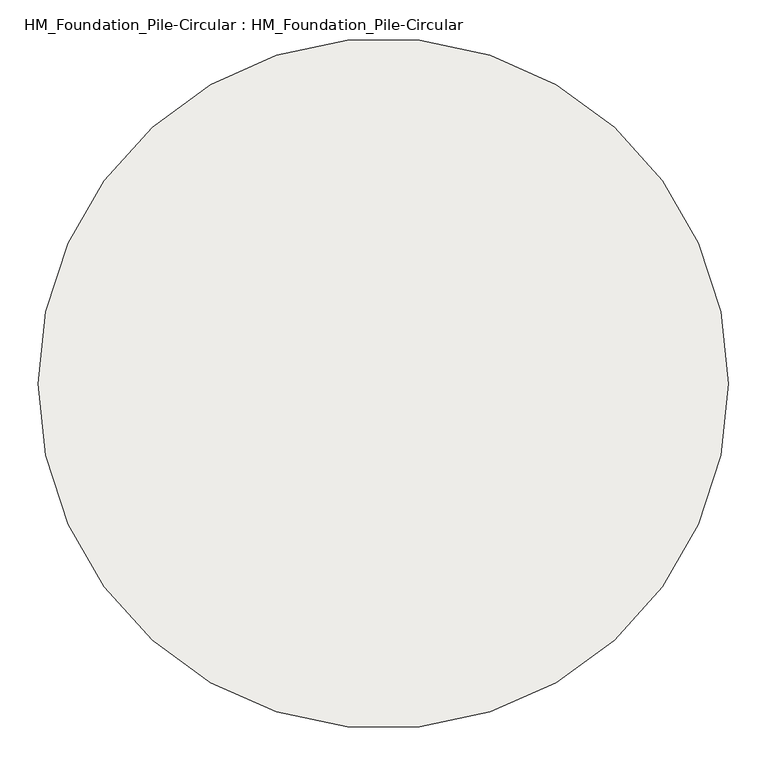
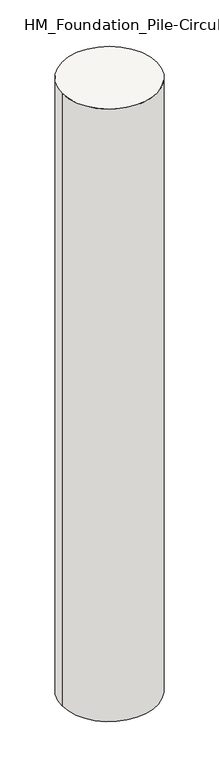
"""IFC4 building model written with IfcOpenShell, lengths in millimetres: slab geometry, HM_Foundation_Pile-Circular : HM_Foundation_Pile-Circular."""

from ifc_helpers import new_model, si_unit, point, frame, origin, origin_2d, place, context, project, spatial, circle_curve, trimmed, segment, composite_curve, outline, extrude, source, transform, mapped, element, save


def hm_foundation_pile_circular_hm_foundation_pile_circular_acc24d6c(model_context):
    return source(origin(), model_context, "Body", "SweptSolid", [
        extrude(outline(composite_curve([segment(trimmed(circle_curve(origin_2d(), 450.0), [point((450.0, 0.0))], [point((-450.0, 0.0))], False, "CARTESIAN"), True, "CONTINUOUS"), segment(trimmed(circle_curve(origin_2d(), 450.0), [point((-450.0, 0.0))], [point((450.0, 0.0))], False, "CARTESIAN"), True, "CONTINUOUS")], self_intersect=False)), frame((0.0, 0.0, -6000.0), z_axis=(0.0, 0.0, 1.0), x_axis=(1.0, 0.0, 0.0)), (0.0, 0.0, 1.0), 6150.0),
    ])


if __name__ == "__main__":
    model = new_model("IFC4")
    model_context = context("Model", 3, world=origin())
    ifc_project = project(units=[si_unit("LENGTHUNIT", "METRE", prefix="MILLI")], contexts=[model_context])
    site = spatial("IfcSite", under=ifc_project)
    building = spatial("IfcBuilding", under=site)
    placement = place(None, origin())
    hm_foundation_pile_circular_hm_foundation_pile_circular_shape = hm_foundation_pile_circular_hm_foundation_pile_circular_acc24d6c(model_context)
    element("IfcSlab", 1, ObjectType="HM_Foundation_Pile-Circular : HM_Foundation_Pile-Circular", at=placement, inside=building, context=model_context, shape_type="MappedRepresentation", body=[
        mapped(hm_foundation_pile_circular_hm_foundation_pile_circular_shape, transform((0.0, 0.0, 0.0), x_axis=(1.0, 0.0, 0.0), y_axis=(0.0, 1.0, 0.0), z_axis=(0.0, 0.0, 1.0))),
    ])
    save(model, "model.ifc")
